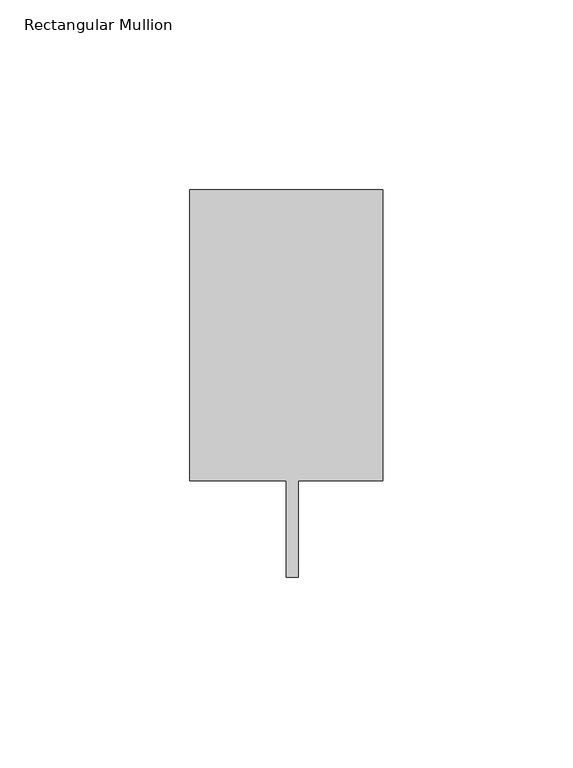
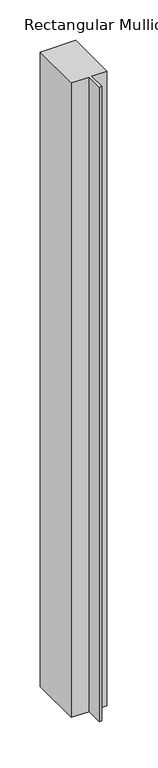
"""IFC4 building model written with IfcOpenShell, lengths in millimetres: member geometry, Rectangular Mullion."""

from ifc_helpers import new_model, si_unit, frame, origin, place, context, project, spatial, polyline, outline, extrude, source, transform, mapped, element, save


def rectangular_mullion_c2285ab1(model_context):
    return source(origin(), model_context, "Body", "SweptSolid", [
        extrude(outline(polyline([(25.4, 89.296875), (25.4, 12.7), (3.175, 12.7), (3.175, -12.7), (0.0, -12.7), (0.0, 12.7), (-25.4, 12.7), (-25.4, 89.296875), (25.4, 89.296875)])), frame((0.0, 0.0, -958.85), z_axis=(0.0, 0.0, 1.0), x_axis=(1.0, 0.0, 0.0)), (0.0, 0.0, 1.0), 958.85),
    ])


if __name__ == "__main__":
    model = new_model("IFC4")
    model_context = context("Model", 3, world=origin())
    ifc_project = project(units=[si_unit("LENGTHUNIT", "METRE", prefix="MILLI")], contexts=[model_context])
    site = spatial("IfcSite", under=ifc_project)
    building = spatial("IfcBuilding", under=site)
    placement = place(None, origin())
    rectangular_mullion_shape = rectangular_mullion_c2285ab1(model_context)
    element("IfcMember", 1, ObjectType="Rectangular Mullion", at=placement, inside=building, context=model_context, shape_type="MappedRepresentation", body=[
        mapped(rectangular_mullion_shape, transform((0.0, 0.0, 0.0), x_axis=(1.0, 0.0, 0.0), y_axis=(0.0, 1.0, 0.0), z_axis=(0.0, 0.0, 1.0))),
    ])
    save(model, "model.ifc")
